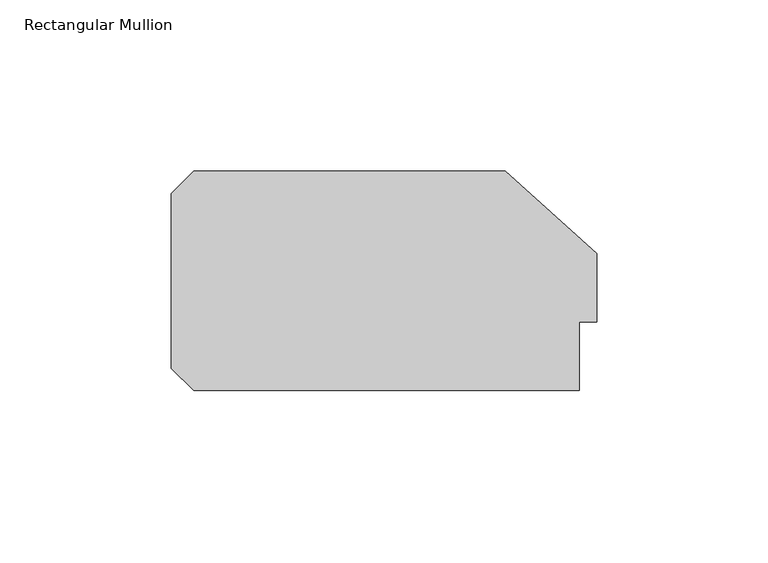
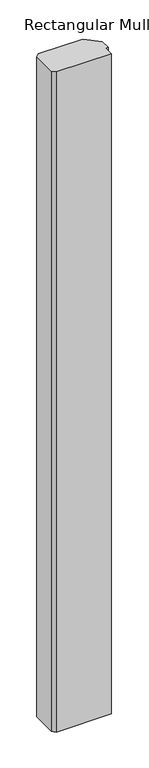
"""IFC4 building model written with IfcOpenShell, lengths in millimetres: member geometry, Rectangular Mullion."""

from ifc_helpers import new_model, si_unit, frame, origin, place, context, project, spatial, polyline, outline, extrude, source, transform, mapped, element, save


def rectangular_mullion_ee4fc0b0(model_context):
    return source(origin(), model_context, "Body", "SweptSolid", [
        extrude(outline(polyline([(-5.0, 20.0), (-5.0, 0.0), (-117.5, 0.0), (-124.0, 6.5), (-124.0, 57.5), (-117.5, 64.0), (-26.6547004, 64.0), (0.0, 40.0), (0.0, 20.0), (-5.0, 20.0)])), frame((0.0, 0.0, -1424.9999998), z_axis=(0.0, 0.0, 1.0), x_axis=(1.0, 0.0, 0.0)), (0.0, 0.0, 1.0), 1424.9999998),
    ])


if __name__ == "__main__":
    model = new_model("IFC4")
    model_context = context("Model", 3, world=origin())
    ifc_project = project(units=[si_unit("LENGTHUNIT", "METRE", prefix="MILLI")], contexts=[model_context])
    site = spatial("IfcSite", under=ifc_project)
    building = spatial("IfcBuilding", under=site)
    placement = place(None, origin())
    rectangular_mullion_shape = rectangular_mullion_ee4fc0b0(model_context)
    element("IfcMember", 1, ObjectType="Rectangular Mullion", at=placement, inside=building, context=model_context, shape_type="MappedRepresentation", body=[
        mapped(rectangular_mullion_shape, transform((0.0, 0.0, 0.0), x_axis=(1.0, 0.0, 0.0), y_axis=(0.0, 1.0, 0.0), z_axis=(0.0, 0.0, 1.0))),
    ])
    save(model, "model.ifc")
